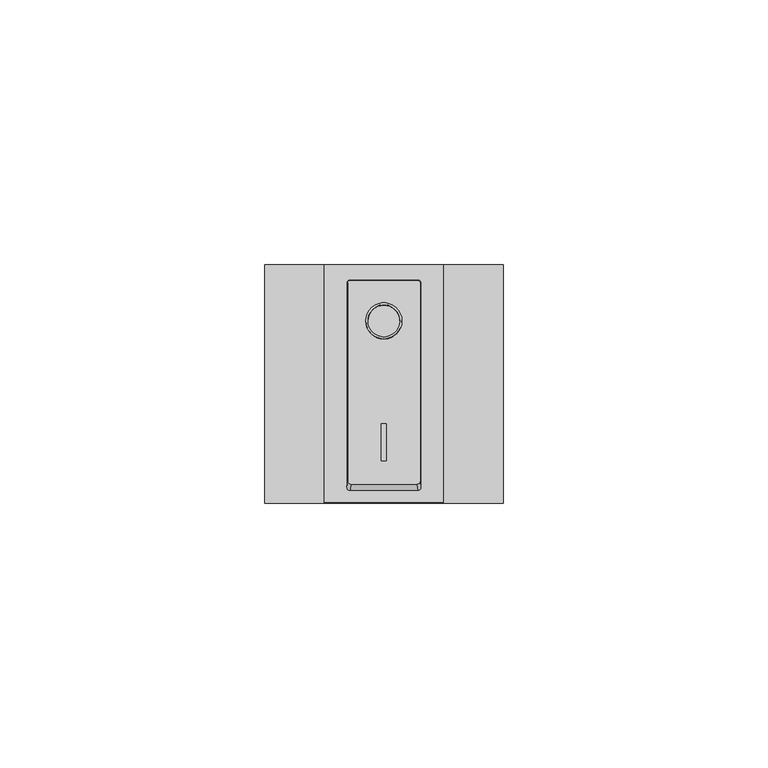
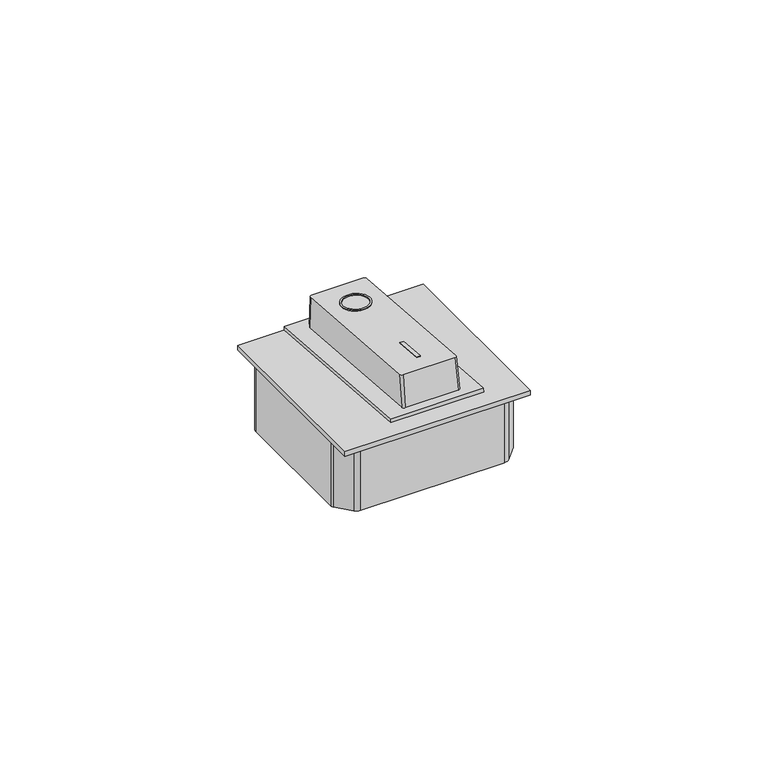
"""IFC4 building model written with IfcOpenShell, lengths in millimetres: proxy geometry."""

from ifc_helpers import new_model, si_unit, point, frame, frame_2d, origin, origin_with_axes, place, context, project, spatial, polyline, circle_curve, trimmed, segment, composite_curve, outline, extrude, source, transform, mapped, element, save
from ifc_brep_helpers import plane_surface, extruded_surface, advanced_brep


def electrical_fixtures_17366464(model_context):
    return source(origin(), model_context, "Body", "SolidModel", [
        extrude(outline(polyline([(7.03125, 0.0), (7.03125, -0.93125), (0.0, -0.93125), (0.0, 0.0), (7.03125, 0.0)])), frame((22.034375, 7.9811436, 12.7595097), z_axis=(0.0, 0.07671101674564727, 0.997053368636729), x_axis=(0.0, 0.997053368636729, -0.07671101674564727)), (0.0, 0.0, 1.0), 0.1754961),
        extrude(outline(composite_curve([segment(trimmed(circle_curve(frame_2d((26.5277051, -0.465625)), 3.4118357), [point((26.5277051, 2.9462107))], [point((26.5277051, -3.8774607))], False, "CARTESIAN"), True, "CONTINUOUS"), segment(trimmed(circle_curve(frame_2d((26.5277051, -0.465625)), 3.4118357), [point((26.5277051, -3.8774607))], [point((26.5277051, 2.9462107))], False, "CARTESIAN"), True, "CONTINUOUS")], self_intersect=False), holes=[composite_curve([segment(trimmed(circle_curve(frame_2d((26.5277051, -0.465625)), 2.9815857), [point((26.5277051, 2.5159607))], [point((26.5277051, -3.4472107))], True, "CARTESIAN"), True, "CONTINUOUS"), segment(trimmed(circle_curve(frame_2d((26.5277051, -0.465625)), 2.9815857), [point((26.5277051, -3.4472107))], [point((26.5277051, 2.5159607))], True, "CARTESIAN"), True, "CONTINUOUS")], self_intersect=False)]), frame((22.034375, 7.9811436, 12.7595097), z_axis=(0.0, 0.07671101674564727, 0.997053368636729), x_axis=(0.0, 0.997053368636729, -0.07671101674564727)), (0.0, 0.0, 1.0), 0.1754961),
        advanced_brep(
        [(16.2645695, 42.1562641, 10.1301537), (15.6625, 41.5559686, 10.1763391), (15.6625, 4.23291, 13.0478902), (16.2645695, 3.6326145, 13.0940756), (28.7354305, 3.6326145, 13.0940756), (29.3375, 4.23291, 13.0478902), (29.3375, 41.5559686, 10.1763391), (28.7354305, 42.1562641, 10.1301537), (16.1083195, 42.182993, 2.3301025), (28.8916805, 42.182993, 2.3301025), (29.49375, 41.5826975, 2.3762878), (29.49375, 3.0133221, 5.3437278), (28.8916805, 2.4130267, 5.3899131), (16.1083195, 2.4130267, 5.3899131), (15.50625, 3.0133221, 5.3437278), (15.50625, 41.5826975, 2.3762878)],
        [
            (0, 1, circle_curve(frame((16.2645695, 41.5559686, 10.1763391), z_axis=(0.0, 0.07671101674564727, 0.9970533686367291), x_axis=(1.0, 0.0, 0.0)), 0.6020695)),
            (1, 2),
            (2, 3, circle_curve(frame((16.2645695, 4.23291, 13.0478902), z_axis=(0.0, 0.07671101674564727, 0.9970533686367291), x_axis=(1.0, 0.0, 0.0)), 0.6020695)),
            (3, 4),
            (4, 5, circle_curve(frame((28.7354305, 4.23291, 13.0478902), z_axis=(0.0, 0.07671101674564727, 0.9970533686367291), x_axis=(1.0, 0.0, 0.0)), 0.6020695)),
            (5, 6),
            (6, 7, circle_curve(frame((28.7354305, 41.5559686, 10.1763391), z_axis=(0.0, 0.07671101674564727, 0.9970533686367291), x_axis=(1.0, 0.0, 0.0)), 0.6020695)),
            (7, 0),
            (8, 9),
            (9, 10, circle_curve(frame((28.8916805, 41.5826975, 2.3762878), z_axis=(0.0, -0.07671101674564727, -0.9970533686367291), x_axis=(1.0, 0.0, 0.0)), 0.6020695)),
            (10, 11),
            (11, 12, circle_curve(frame((28.8916805, 3.0133221, 5.3437278), z_axis=(0.0, -0.07671101674564727, -0.9970533686367291), x_axis=(1.0, 0.0, 0.0)), 0.6020695)),
            (12, 13),
            (13, 14, circle_curve(frame((16.1083195, 3.0133221, 5.3437278), z_axis=(0.0, -0.07671101674564727, -0.9970533686367291), x_axis=(1.0, 0.0, 0.0)), 0.6020695)),
            (14, 15),
            (15, 8, circle_curve(frame((16.1083195, 41.5826975, 2.3762878), z_axis=(0.0, -0.07671101674564727, -0.9970533686367291), x_axis=(1.0, 0.0, 0.0)), 0.6020695)),
            (15, 1),
            (0, 8),
            (14, 2),
            (13, 3),
            (12, 4),
            (11, 5),
            (10, 6),
            (9, 7),
        ],
        [
            plane_surface(frame((22.5, 22.8944393, 11.6121146), z_axis=(0.0, 0.07671101674564727, 0.9970533686367291), x_axis=(-1.0, 0.0, 0.0))),
            plane_surface(frame((22.5, 22.2980098, 3.8600078), z_axis=(0.0, -0.07671101674564727, -0.9970533686367291), x_axis=(-1.0, 0.0, 0.0))),
            extruded_surface(trimmed(circle_curve(frame((16.1083195, 41.5826975, 2.3762878), z_axis=(0.0, 0.07671101674564727, 0.9970533686367291), x_axis=(1.0, 0.0, 0.0)), 0.6020695), [point((16.1083195, 42.182993, 2.3301025))], [point((15.50625, 41.5826975, 2.3762878))], True, "CARTESIAN"), (0.15625, -0.026728900000001943, 7.8000513), 7.801661924181725),
            plane_surface(frame((15.50625, 22.2980098, 3.8600078), z_axis=(-0.9997981281130739, 0.0015413055385605525, 0.020033157485299248), x_axis=(0.0, -0.9970533686367291, 0.07671101674564727))),
            extruded_surface(trimmed(circle_curve(frame((16.1083195, 3.0133221, 5.3437278), z_axis=(0.0, 0.07671101674564727, 0.9970533686367291), x_axis=(1.0, 0.0, 0.0)), 0.6020695), [point((15.50625, 3.0133221, 5.3437278))], [point((16.1083195, 2.4130267, 5.3899131))], True, "CARTESIAN"), (0.15625, 1.2195879000000005, 7.7041623999999995), 7.8016618097620825),
            plane_surface(frame((22.5, 2.4130267, 5.3899131), z_axis=(0.0, -0.9877008494792661, 0.15635546660713914), x_axis=(1.0, 0.0, 0.0))),
            extruded_surface(trimmed(circle_curve(frame((28.8916805, 3.0133221, 5.3437278), z_axis=(0.0, 0.07671101674564727, 0.9970533686367291), x_axis=(1.0, 0.0, 0.0)), 0.6020695), [point((28.8916805, 2.4130267, 5.3899131))], [point((29.49375, 3.0133221, 5.3437278))], True, "CARTESIAN"), (-0.15625, 1.2195879000000005, 7.7041623999999995), 7.8016618097620825),
            plane_surface(frame((29.49375, 22.2980098, 3.8600078), z_axis=(0.9997981281130738, 0.001541305538563257, 0.020033157485298773), x_axis=(0.0, 0.9970533686367291, -0.07671101674564727))),
            extruded_surface(trimmed(circle_curve(frame((28.8916805, 41.5826975, 2.3762878), z_axis=(0.0, 0.07671101674564727, 0.9970533686367291), x_axis=(1.0, 0.0, 0.0)), 0.6020695), [point((29.49375, 41.5826975, 2.3762878))], [point((28.8916805, 42.182993, 2.3301025))], True, "CARTESIAN"), (-0.15625, -0.026728900000001943, 7.8000513), 7.801661924181725),
            plane_surface(frame((22.5, 42.182993, 2.3301025), z_axis=(0.0, 0.999994128711767, 0.003426739265558481), x_axis=(-1.0, 0.0, 0.0))),
        ],
        [
            (0, [[1, 2, 3, 4, 5, 6, 7, 8]]),
            (1, [[9, 10, 11, 12, 13, 14, 15, 16]]),
            (2, [[-16, 17, -1, 18]]),
            (3, [[-15, 19, -2, -17]]),
            (4, [[-14, 20, -3, -19]]),
            (5, [[-13, 21, -4, -20]]),
            (6, [[-12, 22, -5, -21]]),
            (7, [[-11, 23, -6, -22]]),
            (8, [[-10, 24, -7, -23]]),
            (9, [[-9, -18, -8, -24]]),
        ],
    ),
        extrude(outline(polyline([(4.75, 0.0), (4.75, -45.0), (-17.75, -45.0), (-17.75, 0.0), (4.75, 0.0)])), frame((16.0, 0.1040844, 4.6407657), z_axis=(0.0, 0.07671101674564727, 0.9970533686367291), x_axis=(-1.0, 0.0, 0.0)), (0.0, 0.0, 1.0), 0.9480334),
        extrude(outline(composite_curve([segment(trimmed(circle_curve(frame_2d((22.9785709, 22.0163771)), 28.0250427), [point((0.6708855, 38.9801677))], [point((3.6496058, 42.3090883))], False, "CARTESIAN"), True, "CONTINUOUS"), segment(trimmed(circle_curve(frame_2d((5.0058625, 40.8852084)), 1.9664349), [point((3.6496058, 42.3090883))], [point((5.0058625, 42.8516432))], False, "CARTESIAN"), True, "CONTINUOUS"), segment(polyline([(5.0058625, 42.8516432), (39.9941375, 42.8516432)]), True, "CONTINUOUS"), segment(trimmed(circle_curve(frame_2d((39.9941375, 40.8852084)), 1.9664349), [point((39.9941375, 42.8516432))], [point((41.3503942, 42.3090883))], False, "CARTESIAN"), True, "CONTINUOUS"), segment(trimmed(circle_curve(frame_2d((22.0214291, 22.0163771)), 28.0250427), [point((41.3503942, 42.3090883))], [point((44.3291145, 38.9801677))], False, "CARTESIAN"), True, "CONTINUOUS"), segment(trimmed(circle_curve(frame_2d((43.3665201, 38.2481666)), 1.2093029), [point((44.3291145, 38.9801677))], [point((44.575823, 38.2481666))], False, "CARTESIAN"), True, "CONTINUOUS"), segment(polyline([(44.575823, 38.2481666), (44.575823, 6.7518334)]), True, "CONTINUOUS"), segment(trimmed(circle_curve(frame_2d((43.3665201, 6.7518334)), 1.2093029), [point((44.575823, 6.7518334))], [point((44.3291145, 6.0198323))], False, "CARTESIAN"), True, "CONTINUOUS"), segment(trimmed(circle_curve(frame_2d((22.0214291, 22.9836229)), 28.0250427), [point((44.3291145, 6.0198323))], [point((41.3503942, 2.6909117))], False, "CARTESIAN"), True, "CONTINUOUS"), segment(trimmed(circle_curve(frame_2d((39.9941375, 4.1147916)), 1.9664349), [point((41.3503942, 2.6909117))], [point((39.9941375, 2.1483568))], False, "CARTESIAN"), True, "CONTINUOUS"), segment(polyline([(39.9941375, 2.1483568), (5.0058625, 2.1483568)]), True, "CONTINUOUS"), segment(trimmed(circle_curve(frame_2d((5.0058625, 4.1147916)), 1.9664349), [point((5.0058625, 2.1483568))], [point((3.6496058, 2.6909117))], False, "CARTESIAN"), True, "CONTINUOUS"), segment(trimmed(circle_curve(frame_2d((22.9785709, 22.9836229)), 28.0250427), [point((3.6496058, 2.6909117))], [point((0.6708855, 6.0198323))], False, "CARTESIAN"), True, "CONTINUOUS"), segment(trimmed(circle_curve(frame_2d((1.6334799, 6.7518334)), 1.2093029), [point((0.6708855, 6.0198323))], [point((0.424177, 6.7518334))], False, "CARTESIAN"), True, "CONTINUOUS"), segment(polyline([(0.424177, 6.7518334), (0.424177, 38.2481666)]), True, "CONTINUOUS"), segment(trimmed(circle_curve(frame_2d((1.6334799, 38.2481666)), 1.2093029), [point((0.424177, 38.2481666))], [point((0.6708855, 38.9801677))], False, "CARTESIAN"), True, "CONTINUOUS")], self_intersect=False)), frame((0.0, 0.0, -16.9581985), z_axis=(0.0, 0.0, 1.0), x_axis=(1.0, 0.0, 0.0)), (0.0, 0.0, 1.0), 16.9581985),
        extrude(outline(polyline([(0.0, 0.0), (0.0, 45.0), (45.0, 45.0), (45.0, 0.0), (0.0, 0.0)])), origin_with_axes(), (0.0, 0.0, 1.0), 1.1865762),
    ])


if __name__ == "__main__":
    model = new_model("IFC4")
    model_context = context("Model", 3, world=origin())
    ifc_project = project(units=[si_unit("LENGTHUNIT", "METRE", prefix="MILLI")], contexts=[model_context])
    site = spatial("IfcSite", under=ifc_project)
    building = spatial("IfcBuilding", under=site)
    placement = place(None, origin())
    electrical_fixtures_shape = electrical_fixtures_17366464(model_context)
    element("IfcBuildingElementProxy", 1, Name="Electrical Fixtures", at=placement, inside=building, context=model_context, shape_type="MappedRepresentation", body=[
        mapped(electrical_fixtures_shape, transform((0.0, 0.0, 0.0), x_axis=(1.0, 0.0, 0.0), y_axis=(0.0, 1.0, 0.0), z_axis=(0.0, 0.0, 1.0))),
    ])
    save(model, "model.ifc")
